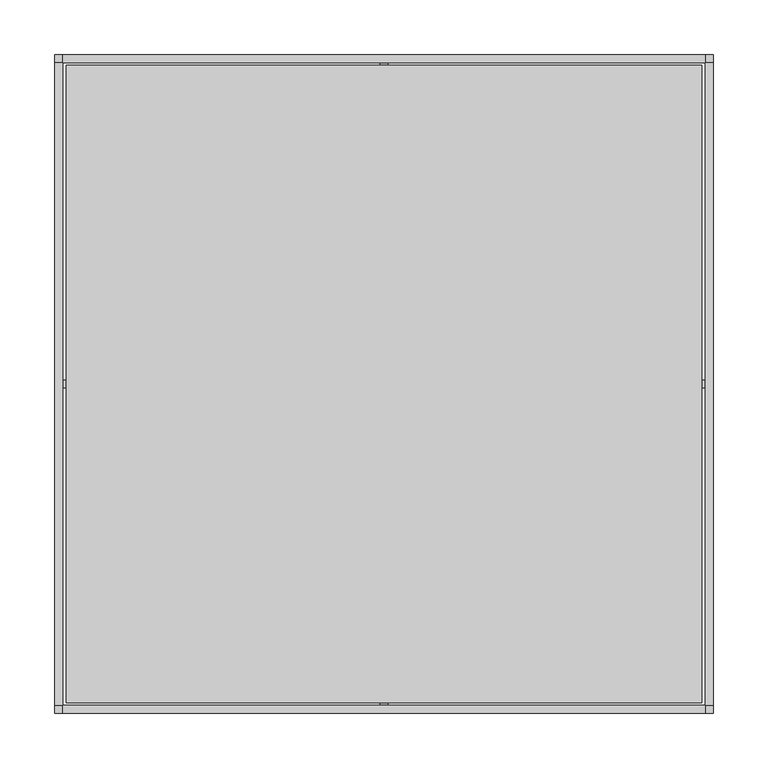
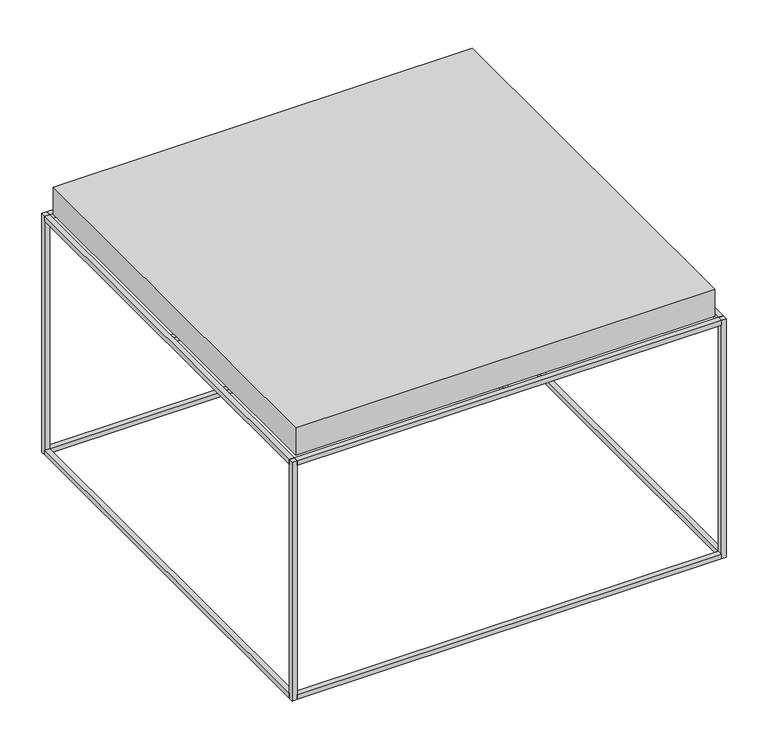
"""IFC4 building model written with IfcOpenShell, lengths in millimetres: furniture geometry."""

from ifc_helpers import new_model, si_unit, frame, origin, origin_with_axes, place, context, project, spatial, polyline, outline, extrude, source, transform, mapped, element, save


def furniture_93cef21b(model_context):
    return source(origin(), model_context, "Body", "SweptSolid", [
        extrude(outline(polyline([(293.2101913, 300.2483338), (293.2101913, 293.2350809), (-293.2101913, 293.2350809), (-293.2101913, 300.2483338), (293.2101913, 300.2483338)])), frame((0.0, 0.0, 342.1362385), z_axis=(0.0, 0.0, 1.0), x_axis=(1.0, 0.0, 0.0)), (0.0, 0.0, 1.0), 6.9800245),
        extrude(outline(polyline([(293.2101913, -293.2350809), (293.2101913, -300.2483338), (-293.2101913, -300.2483338), (-293.2101913, -293.2350809), (293.2101913, -293.2350809)])), frame((0.0, 0.0, 342.1362385), z_axis=(0.0, 0.0, 1.0), x_axis=(1.0, 0.0, 0.0)), (0.0, 0.0, 1.0), 6.9800245),
        extrude(outline(polyline([(293.2101913, -293.2350809), (293.2101913, -300.2483338), (-293.2101913, -300.2483338), (-293.2101913, -293.2350809), (293.2101913, -293.2350809)])), origin_with_axes(), (0.0, 0.0, 1.0), 6.9800245),
        extrude(outline(polyline([(293.2101913, 300.2483338), (293.2101913, 293.2350809), (-293.2101913, 293.2350809), (-293.2101913, 300.2483338), (293.2101913, 300.2483338)])), origin_with_axes(), (0.0, 0.0, 1.0), 6.9800245),
        extrude(outline(polyline([(-293.2101913, -293.2350809), (-300.2246404, -293.2350809), (-300.2246404, 293.2350809), (-293.2101913, 293.2350809), (-293.2101913, -293.2350809)])), frame((0.0, 0.0, 342.1362385), z_axis=(0.0, 0.0, 1.0), x_axis=(1.0, 0.0, 0.0)), (0.0, 0.0, 1.0), 6.9800245),
        extrude(outline(polyline([(300.2246404, -293.2350809), (293.2101913, -293.2350809), (293.2101913, 293.2350809), (300.2246404, 293.2350809), (300.2246404, -293.2350809)])), frame((0.0, 0.0, 342.1362385), z_axis=(0.0, 0.0, 1.0), x_axis=(1.0, 0.0, 0.0)), (0.0, 0.0, 1.0), 6.9800245),
        extrude(outline(polyline([(300.2246404, -293.2350809), (293.2101913, -293.2350809), (293.2101913, 293.2350809), (300.2246404, 293.2350809), (300.2246404, -293.2350809)])), origin_with_axes(), (0.0, 0.0, 1.0), 6.9800245),
        extrude(outline(polyline([(-293.2101913, -293.2350809), (-300.2246404, -293.2350809), (-300.2246404, 293.2350809), (-293.2101913, 293.2350809), (-293.2101913, -293.2350809)])), origin_with_axes(), (0.0, 0.0, 1.0), 6.9800245),
        extrude(outline(polyline([(-293.2101913, 300.2483338), (-293.2101913, 293.2350809), (-300.2246404, 293.2350809), (-300.2246404, 300.2483338), (-293.2101913, 300.2483338)])), origin_with_axes(), (0.0, 0.0, 1.0), 349.116263),
        extrude(outline(polyline([(293.2101913, 300.2483338), (300.2246404, 300.2483338), (300.2246404, 293.2350809), (293.2101913, 293.2350809), (293.2101913, 300.2483338)])), origin_with_axes(), (0.0, 0.0, 1.0), 349.116263),
        extrude(outline(polyline([(-293.2101913, -300.2483338), (-300.2246404, -300.2483338), (-300.2246404, -293.2350809), (-293.2101913, -293.2350809), (-293.2101913, -300.2483338)])), origin_with_axes(), (0.0, 0.0, 1.0), 349.116263),
        extrude(outline(polyline([(293.2101913, -300.2483338), (293.2101913, -293.2350809), (300.2246404, -293.2350809), (300.2246404, -300.2483338), (293.2101913, -300.2483338)])), origin_with_axes(), (0.0, 0.0, 1.0), 349.116263),
        extrude(outline(polyline([(-3.4900111, 3.490002), (-3.4900111, 293.2350809), (3.489993, 293.2350809), (3.489993, 3.4900023), (293.2101913, 3.490002), (293.2101913, -3.4900018), (3.4899934, -3.490002), (3.489993, -293.2350809), (-3.4900111, -293.2350809), (-3.4900111, -3.4900023), (-293.2101913, -3.490002), (-293.2101913, 3.4900018), (-3.4900111, 3.490002)])), frame((0.0, 0.0, 342.1362385), z_axis=(0.0, 0.0, 1.0), x_axis=(1.0, 0.0, 0.0)), (0.0, 0.0, 1.0), 6.9800245),
        extrude(outline(polyline([(290.0147742, 290.5717805), (290.0147742, -290.571817), (-290.0147742, -290.571817), (-290.0147742, 290.5717805), (290.0147742, 290.5717805)])), frame((0.0, 0.0, 350.0353203), z_axis=(0.0, 0.0, 1.0), x_axis=(1.0, 0.0, 0.0)), (0.0, 0.0, 1.0), 39.999993),
    ])


if __name__ == "__main__":
    model = new_model("IFC4")
    model_context = context("Model", 3, world=origin())
    ifc_project = project(units=[si_unit("LENGTHUNIT", "METRE", prefix="MILLI")], contexts=[model_context])
    site = spatial("IfcSite", under=ifc_project)
    building = spatial("IfcBuilding", under=site)
    placement = place(None, origin())
    furniture_shape = furniture_93cef21b(model_context)
    element("IfcFurniture", 1, at=placement, inside=building, context=model_context, shape_type="MappedRepresentation", body=[
        mapped(furniture_shape, transform((0.0, 0.0, 0.0), x_axis=(1.0, 0.0, 0.0), y_axis=(0.0, 1.0, 0.0), z_axis=(0.0, 0.0, 1.0))),
    ])
    save(model, "model.ifc")
